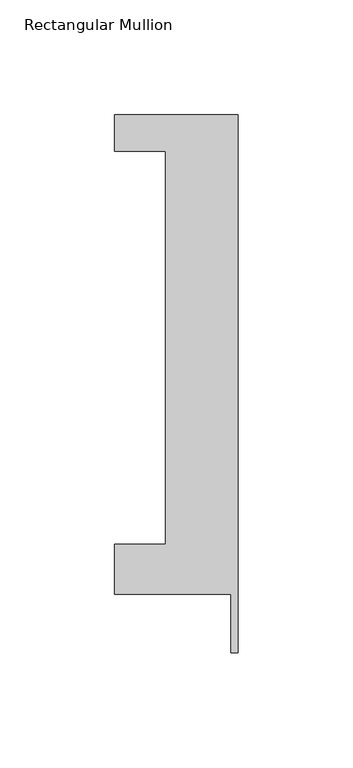
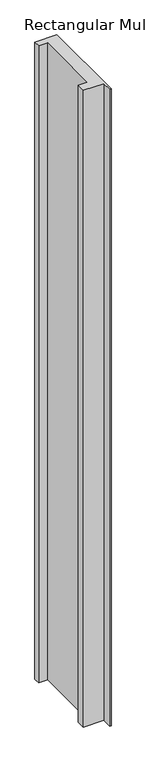
"""IFC4 building model written with IfcOpenShell, lengths in millimetres: member geometry, Rectangular Mullion."""

from ifc_helpers import new_model, si_unit, frame, origin, place, context, project, spatial, polyline, outline, extrude, source, transform, mapped, element, save


def rectangular_mullion_0f70fe10(model_context):
    return source(origin(), model_context, "Body", "SweptSolid", [
        extrude(outline(polyline([(-53.975, 221.996), (0.0, 221.996), (0.0, -12.7), (-3.175, -12.7), (-3.175, 12.7), (-53.975, 12.7), (-53.975, 34.671), (-31.75, 34.671), (-31.75, 206.121), (-53.975, 206.121), (-53.975, 221.996)])), frame((0.0, 0.0, -1676.4), z_axis=(0.0, 0.0, 1.0), x_axis=(1.0, 0.0, 0.0)), (0.0, 0.0, 1.0), 1676.4),
    ])


if __name__ == "__main__":
    model = new_model("IFC4")
    model_context = context("Model", 3, world=origin())
    ifc_project = project(units=[si_unit("LENGTHUNIT", "METRE", prefix="MILLI")], contexts=[model_context])
    site = spatial("IfcSite", under=ifc_project)
    building = spatial("IfcBuilding", under=site)
    placement = place(None, origin())
    rectangular_mullion_shape = rectangular_mullion_0f70fe10(model_context)
    element("IfcMember", 1, ObjectType="Rectangular Mullion", at=placement, inside=building, context=model_context, shape_type="MappedRepresentation", body=[
        mapped(rectangular_mullion_shape, transform((0.0, 0.0, 0.0), x_axis=(1.0, 0.0, 0.0), y_axis=(0.0, 1.0, 0.0), z_axis=(0.0, 0.0, 1.0))),
    ])
    save(model, "model.ifc")
